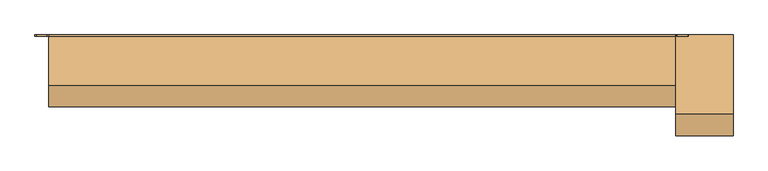
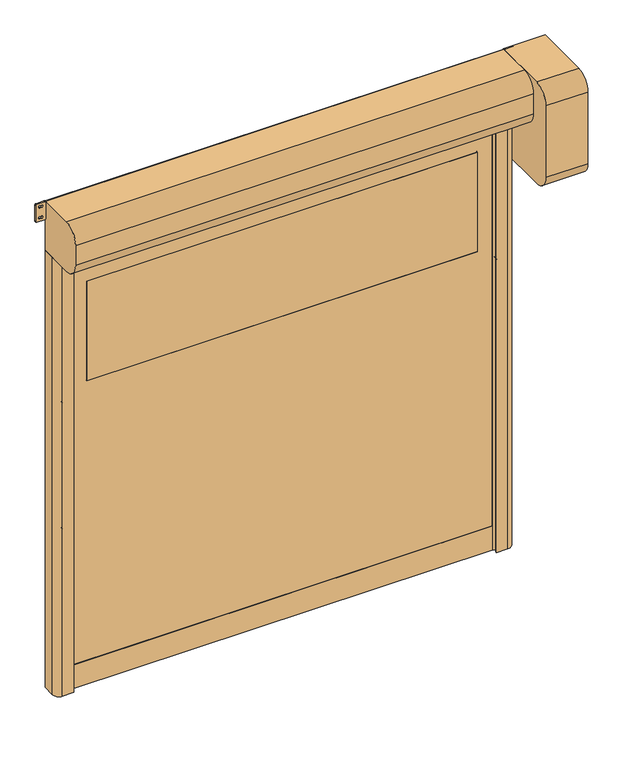
"""IFC4 building model written with IfcOpenShell, lengths in millimetres: door geometry."""

from ifc_helpers import new_model, si_unit, point, frame, frame_2d, origin, origin_with_axes, place, context, project, spatial, polyline, circle_curve, trimmed, segment, composite_curve, outline, extrude, source, transform, mapped, element, save


def door_7dfef6e7(model_context):
    return source(origin(), model_context, "Body", "SweptSolid", [
        extrude(outline(composite_curve([segment(trimmed(circle_curve(frame_2d((1416.6666667, 1024.0)), 6.0), [point((1422.6666667, 1024.0))], [point((1410.6666667, 1024.0))], False, "CARTESIAN"), True, "CONTINUOUS"), segment(polyline([(1410.6666667, 1024.0), (1410.6666667, 1042.0)]), True, "CONTINUOUS"), segment(trimmed(circle_curve(frame_2d((1416.6666667, 1042.0)), 6.0), [point((1410.6666667, 1042.0))], [point((1422.6666667, 1042.0))], False, "CARTESIAN"), True, "CONTINUOUS"), segment(polyline([(1422.6666667, 1042.0), (1422.6666667, 1024.0)]), True, "CONTINUOUS")], self_intersect=False)), frame((0.0, -20.0, 0.0), z_axis=(0.0, 1.0, 0.0), x_axis=(0.0, 0.0, 1.0)), (0.0, 0.0, 1.0), 20.0),
        extrude(outline(composite_curve([segment(trimmed(circle_curve(frame_2d((783.3333333, 1024.0)), 6.0), [point((789.3333333, 1024.0))], [point((777.3333333, 1024.0))], False, "CARTESIAN"), True, "CONTINUOUS"), segment(polyline([(777.3333333, 1024.0), (777.3333333, 1042.0)]), True, "CONTINUOUS"), segment(trimmed(circle_curve(frame_2d((783.3333333, 1042.0)), 6.0), [point((777.3333333, 1042.0))], [point((789.3333333, 1042.0))], False, "CARTESIAN"), True, "CONTINUOUS"), segment(polyline([(789.3333333, 1042.0), (789.3333333, 1024.0)]), True, "CONTINUOUS")], self_intersect=False)), frame((0.0, -20.0, 0.0), z_axis=(0.0, 1.0, 0.0), x_axis=(0.0, 0.0, 1.0)), (0.0, 0.0, 1.0), 20.0),
        extrude(outline(composite_curve([segment(trimmed(circle_curve(frame_2d((2050.0, 1024.0)), 6.0), [point((2056.0, 1024.0))], [point((2044.0, 1024.0))], False, "CARTESIAN"), True, "CONTINUOUS"), segment(polyline([(2044.0, 1024.0), (2044.0, 1042.0)]), True, "CONTINUOUS"), segment(trimmed(circle_curve(frame_2d((2050.0, 1042.0)), 6.0), [point((2044.0, 1042.0))], [point((2056.0, 1042.0))], False, "CARTESIAN"), True, "CONTINUOUS"), segment(polyline([(2056.0, 1042.0), (2056.0, 1024.0)]), True, "CONTINUOUS")], self_intersect=False)), frame((0.0, -20.0, 0.0), z_axis=(0.0, 1.0, 0.0), x_axis=(0.0, 0.0, 1.0)), (0.0, 0.0, 1.0), 20.0),
        extrude(outline(composite_curve([segment(trimmed(circle_curve(frame_2d((150.0, 1024.0)), 6.0), [point((156.0, 1024.0))], [point((144.0, 1024.0))], False, "CARTESIAN"), True, "CONTINUOUS"), segment(polyline([(144.0, 1024.0), (144.0, 1042.0)]), True, "CONTINUOUS"), segment(trimmed(circle_curve(frame_2d((150.0, 1042.0)), 6.0), [point((144.0, 1042.0))], [point((156.0, 1042.0))], False, "CARTESIAN"), True, "CONTINUOUS"), segment(polyline([(156.0, 1042.0), (156.0, 1024.0)]), True, "CONTINUOUS")], self_intersect=False)), frame((0.0, -20.0, 0.0), z_axis=(0.0, 1.0, 0.0), x_axis=(0.0, 0.0, 1.0)), (0.0, 0.0, 1.0), 20.0),
        extrude(outline(composite_curve([segment(polyline([(1422.6666667, -1024.0), (1422.6666667, -1042.0)]), True, "CONTINUOUS"), segment(trimmed(circle_curve(frame_2d((1416.6666667, -1042.0)), 6.0), [point((1422.6666667, -1042.0))], [point((1410.6666667, -1042.0))], False, "CARTESIAN"), True, "CONTINUOUS"), segment(polyline([(1410.6666667, -1042.0), (1410.6666667, -1024.0)]), True, "CONTINUOUS"), segment(trimmed(circle_curve(frame_2d((1416.6666667, -1024.0)), 6.0), [point((1410.6666667, -1024.0))], [point((1422.6666667, -1024.0))], False, "CARTESIAN"), True, "CONTINUOUS")], self_intersect=False)), frame((0.0, -20.0, 0.0), z_axis=(0.0, 1.0, 0.0), x_axis=(0.0, 0.0, 1.0)), (0.0, 0.0, 1.0), 20.0),
        extrude(outline(composite_curve([segment(polyline([(789.3333333, -1024.0), (789.3333333, -1042.0)]), True, "CONTINUOUS"), segment(trimmed(circle_curve(frame_2d((783.3333333, -1042.0)), 6.0), [point((789.3333333, -1042.0))], [point((777.3333333, -1042.0))], False, "CARTESIAN"), True, "CONTINUOUS"), segment(polyline([(777.3333333, -1042.0), (777.3333333, -1024.0)]), True, "CONTINUOUS"), segment(trimmed(circle_curve(frame_2d((783.3333333, -1024.0)), 6.0), [point((777.3333333, -1024.0))], [point((789.3333333, -1024.0))], False, "CARTESIAN"), True, "CONTINUOUS")], self_intersect=False)), frame((0.0, -20.0, 0.0), z_axis=(0.0, 1.0, 0.0), x_axis=(0.0, 0.0, 1.0)), (0.0, 0.0, 1.0), 20.0),
        extrude(outline(composite_curve([segment(polyline([(2056.0, -1024.0), (2056.0, -1042.0)]), True, "CONTINUOUS"), segment(trimmed(circle_curve(frame_2d((2050.0, -1042.0)), 6.0), [point((2056.0, -1042.0))], [point((2044.0, -1042.0))], False, "CARTESIAN"), True, "CONTINUOUS"), segment(polyline([(2044.0, -1042.0), (2044.0, -1024.0)]), True, "CONTINUOUS"), segment(trimmed(circle_curve(frame_2d((2050.0, -1024.0)), 6.0), [point((2044.0, -1024.0))], [point((2056.0, -1024.0))], False, "CARTESIAN"), True, "CONTINUOUS")], self_intersect=False)), frame((0.0, -20.0, 0.0), z_axis=(0.0, 1.0, 0.0), x_axis=(0.0, 0.0, 1.0)), (0.0, 0.0, 1.0), 20.0),
        extrude(outline(composite_curve([segment(polyline([(156.0, -1024.0), (156.0, -1042.0)]), True, "CONTINUOUS"), segment(trimmed(circle_curve(frame_2d((150.0, -1042.0)), 6.0), [point((156.0, -1042.0))], [point((144.0, -1042.0))], False, "CARTESIAN"), True, "CONTINUOUS"), segment(polyline([(144.0, -1042.0), (144.0, -1024.0)]), True, "CONTINUOUS"), segment(trimmed(circle_curve(frame_2d((150.0, -1024.0)), 6.0), [point((144.0, -1024.0))], [point((156.0, -1024.0))], False, "CARTESIAN"), True, "CONTINUOUS")], self_intersect=False)), frame((0.0, -20.0, 0.0), z_axis=(0.0, 1.0, 0.0), x_axis=(0.0, 0.0, 1.0)), (0.0, 0.0, 1.0), 20.0),
        extrude(outline(composite_curve([segment(trimmed(circle_curve(frame_2d((1526.0, 929.0)), 1.0), [point((1525.0, 929.0))], [point((1526.0, 930.0))], False, "CARTESIAN"), True, "CONTINUOUS"), segment(polyline([(1526.0, 930.0), (2024.0, 930.0)]), True, "CONTINUOUS"), segment(trimmed(circle_curve(frame_2d((2024.0, 929.0)), 1.0), [point((2024.0, 930.0))], [point((2025.0, 929.0))], False, "CARTESIAN"), True, "CONTINUOUS"), segment(polyline([(2025.0, 929.0), (2025.0, -929.0)]), True, "CONTINUOUS"), segment(trimmed(circle_curve(frame_2d((2024.0, -929.0)), 1.0), [point((2025.0, -929.0))], [point((2024.0, -930.0))], False, "CARTESIAN"), True, "CONTINUOUS"), segment(polyline([(2024.0, -930.0), (1526.0, -930.0)]), True, "CONTINUOUS"), segment(trimmed(circle_curve(frame_2d((1526.0, -929.0)), 1.0), [point((1526.0, -930.0))], [point((1525.0, -929.0))], False, "CARTESIAN"), True, "CONTINUOUS"), segment(polyline([(1525.0, -929.0), (1525.0, 929.0)]), True, "CONTINUOUS")], self_intersect=False)), frame((0.0, -63.5, 0.0), z_axis=(0.0, 1.0, 0.0), x_axis=(0.0, 0.0, 1.0)), (0.0, 0.0, 1.0), 7.0),
        extrude(outline(polyline([(120.0, -1012.0), (120.0, 1012.0), (2325.0, 1012.0), (2325.0, -1012.0), (120.0, -1012.0)]), holes=[composite_curve([segment(trimmed(circle_curve(frame_2d((1526.0, 929.0)), 1.0), [point((1526.0, 930.0))], [point((1525.0, 929.0))], True, "CARTESIAN"), True, "CONTINUOUS"), segment(polyline([(1525.0, 929.0), (1525.0, -929.0)]), True, "CONTINUOUS"), segment(trimmed(circle_curve(frame_2d((1526.0, -929.0)), 1.0), [point((1525.0, -929.0))], [point((1526.0, -930.0))], True, "CARTESIAN"), True, "CONTINUOUS"), segment(polyline([(1526.0, -930.0), (2024.0, -930.0)]), True, "CONTINUOUS"), segment(trimmed(circle_curve(frame_2d((2024.0, -929.0)), 1.0), [point((2024.0, -930.0))], [point((2025.0, -929.0))], True, "CARTESIAN"), True, "CONTINUOUS"), segment(polyline([(2025.0, -929.0), (2025.0, 929.0)]), True, "CONTINUOUS"), segment(trimmed(circle_curve(frame_2d((2024.0, 929.0)), 1.0), [point((2025.0, 929.0))], [point((2024.0, 930.0))], True, "CARTESIAN"), True, "CONTINUOUS"), segment(polyline([(2024.0, 930.0), (1526.0, 930.0)]), True, "CONTINUOUS")], self_intersect=False)]), frame((0.0, -63.5, 0.0), z_axis=(0.0, 1.0, 0.0), x_axis=(0.0, 0.0, 1.0)), (0.0, 0.0, 1.0), 7.0),
        extrude(outline(polyline([(-1012.0, -54.5), (1012.0, -54.5), (1012.0, -65.5), (-1012.0, -65.5), (-1012.0, -54.5)])), origin_with_axes(), (0.0, 0.0, 1.0), 120.0),
        extrude(outline(composite_curve([segment(trimmed(circle_curve(frame_2d((2363.75, 1095.75)), 5.75), [point((2363.75, 1090.0))], [point((2358.0, 1095.75))], False, "CARTESIAN"), True, "CONTINUOUS"), segment(polyline([(2358.0, 1095.75), (2358.0, 1133.25)]), True, "CONTINUOUS"), segment(trimmed(circle_curve(frame_2d((2363.75, 1133.25)), 5.75), [point((2358.0, 1133.25))], [point((2363.75, 1139.0))], False, "CARTESIAN"), True, "CONTINUOUS"), segment(polyline([(2363.75, 1139.0), (2444.25, 1139.0)]), True, "CONTINUOUS"), segment(trimmed(circle_curve(frame_2d((2444.25, 1133.25)), 5.75), [point((2444.25, 1139.0))], [point((2450.0, 1133.25))], False, "CARTESIAN"), True, "CONTINUOUS"), segment(polyline([(2450.0, 1133.25), (2450.0, 1095.75)]), True, "CONTINUOUS"), segment(trimmed(circle_curve(frame_2d((2444.25, 1095.75)), 5.75), [point((2450.0, 1095.75))], [point((2444.25, 1090.0))], False, "CARTESIAN"), True, "CONTINUOUS"), segment(polyline([(2444.25, 1090.0), (2363.75, 1090.0)]), True, "CONTINUOUS")], self_intersect=False), holes=[composite_curve([segment(trimmed(circle_curve(frame_2d((2431.5, 1118.75)), 5.75), [point((2437.25, 1118.75))], [point((2425.75, 1118.75))], True, "CARTESIAN"), True, "CONTINUOUS"), segment(polyline([(2425.75, 1118.75), (2425.75, 1110.25)]), True, "CONTINUOUS"), segment(trimmed(circle_curve(frame_2d((2431.5, 1110.25)), 5.75), [point((2425.75, 1110.25))], [point((2437.25, 1110.25))], True, "CARTESIAN"), True, "CONTINUOUS"), segment(polyline([(2437.25, 1110.25), (2437.25, 1118.75)]), True, "CONTINUOUS")], self_intersect=False), composite_curve([segment(trimmed(circle_curve(frame_2d((2376.5, 1118.75)), 5.75), [point((2382.25, 1118.75))], [point((2370.75, 1118.75))], True, "CARTESIAN"), True, "CONTINUOUS"), segment(polyline([(2370.75, 1118.75), (2370.75, 1110.25)]), True, "CONTINUOUS"), segment(trimmed(circle_curve(frame_2d((2376.5, 1110.25)), 5.75), [point((2370.75, 1110.25))], [point((2382.25, 1110.25))], True, "CARTESIAN"), True, "CONTINUOUS"), segment(polyline([(2382.25, 1110.25), (2382.25, 1118.75)]), True, "CONTINUOUS")], self_intersect=False)]), frame((0.0, -5.0, 0.0), z_axis=(0.0, 1.0, 0.0), x_axis=(0.0, 0.0, 1.0)), (0.0, 0.0, 1.0), 5.0),
        extrude(outline(composite_curve([segment(trimmed(circle_curve(frame_2d((2363.75, -1133.25)), 5.75), [point((2363.75, -1139.0))], [point((2358.0, -1133.25))], False, "CARTESIAN"), True, "CONTINUOUS"), segment(polyline([(2358.0, -1133.25), (2358.0, -1095.75)]), True, "CONTINUOUS"), segment(trimmed(circle_curve(frame_2d((2363.75, -1095.75)), 5.75), [point((2358.0, -1095.75))], [point((2363.75, -1090.0))], False, "CARTESIAN"), True, "CONTINUOUS"), segment(polyline([(2363.75, -1090.0), (2444.25, -1090.0)]), True, "CONTINUOUS"), segment(trimmed(circle_curve(frame_2d((2444.25, -1095.75)), 5.75), [point((2444.25, -1090.0))], [point((2450.0, -1095.75))], False, "CARTESIAN"), True, "CONTINUOUS"), segment(polyline([(2450.0, -1095.75), (2450.0, -1133.25)]), True, "CONTINUOUS"), segment(trimmed(circle_curve(frame_2d((2444.25, -1133.25)), 5.75), [point((2450.0, -1133.25))], [point((2444.25, -1139.0))], False, "CARTESIAN"), True, "CONTINUOUS"), segment(polyline([(2444.25, -1139.0), (2363.75, -1139.0)]), True, "CONTINUOUS")], self_intersect=False), holes=[composite_curve([segment(trimmed(circle_curve(frame_2d((2431.5, -1110.25)), 5.75), [point((2437.25, -1110.25))], [point((2425.75, -1110.25))], True, "CARTESIAN"), True, "CONTINUOUS"), segment(polyline([(2425.75, -1110.25), (2425.75, -1118.75)]), True, "CONTINUOUS"), segment(trimmed(circle_curve(frame_2d((2431.5, -1118.75)), 5.75), [point((2425.75, -1118.75))], [point((2437.25, -1118.75))], True, "CARTESIAN"), True, "CONTINUOUS"), segment(polyline([(2437.25, -1118.75), (2437.25, -1110.25)]), True, "CONTINUOUS")], self_intersect=False), composite_curve([segment(trimmed(circle_curve(frame_2d((2376.5, -1110.25)), 5.75), [point((2382.25, -1110.25))], [point((2370.75, -1110.25))], True, "CARTESIAN"), True, "CONTINUOUS"), segment(polyline([(2370.75, -1110.25), (2370.75, -1118.75)]), True, "CONTINUOUS"), segment(trimmed(circle_curve(frame_2d((2376.5, -1118.75)), 5.75), [point((2370.75, -1118.75))], [point((2382.25, -1118.75))], True, "CARTESIAN"), True, "CONTINUOUS"), segment(polyline([(2382.25, -1118.75), (2382.25, -1110.25)]), True, "CONTINUOUS")], self_intersect=False)]), frame((0.0, -5.0, 0.0), z_axis=(0.0, 1.0, 0.0), x_axis=(0.0, 0.0, 1.0)), (0.0, 0.0, 1.0), 5.0),
        extrude(outline(composite_curve([segment(polyline([(-1090.0, 0.0), (-1015.0, 0.0), (-1015.0, -44.2857143), (-1035.0, -50.0), (-1000.0, -50.0), (-1000.0, -56.5), (-1020.0, -56.5), (-1020.0, -63.5), (-1000.0, -63.5), (-1000.0, -70.0), (-1035.0, -70.0), (-1035.0, -85.0), (-1005.0, -85.0), (-1005.0, -90.0), (-1060.0, -90.0)]), True, "CONTINUOUS"), segment(trimmed(circle_curve(frame_2d((-1060.0, -60.0)), 30.0), [point((-1060.0, -90.0))], [point((-1090.0, -60.0))], False, "CARTESIAN"), True, "CONTINUOUS"), segment(polyline([(-1090.0, -60.0), (-1090.0, 0.0)]), True, "CONTINUOUS")], self_intersect=False)), origin_with_axes(), (0.0, 0.0, 1.0), 2200.0),
        extrude(outline(composite_curve([segment(polyline([(1090.0, 0.0), (1090.0, -60.0)]), True, "CONTINUOUS"), segment(trimmed(circle_curve(frame_2d((1060.0, -60.0)), 30.0), [point((1090.0, -60.0))], [point((1060.0, -90.0))], False, "CARTESIAN"), True, "CONTINUOUS"), segment(polyline([(1060.0, -90.0), (1005.0, -90.0), (1005.0, -85.0), (1035.0, -85.0), (1035.0, -70.0), (1000.0, -70.0), (1000.0, -63.5), (1020.0, -63.5), (1020.0, -56.5), (1000.0, -56.5), (1000.0, -50.0), (1035.0, -50.0), (1015.0, -44.2857143), (1015.0, 0.0), (1090.0, 0.0)]), True, "CONTINUOUS")], self_intersect=False)), origin_with_axes(), (0.0, 0.0, 1.0), 2200.0),
        extrude(outline(composite_curve([segment(polyline([(0.0, 2450.0), (0.0, 1940.0), (-275.0, 1940.0)]), True, "CONTINUOUS"), segment(trimmed(circle_curve(frame_2d((-275.0, 2015.0)), 75.0), [point((-275.0, 1940.0))], [point((-350.0, 2015.0))], False, "CARTESIAN"), True, "CONTINUOUS"), segment(polyline([(-350.0, 2015.0), (-350.0, 2375.0)]), True, "CONTINUOUS"), segment(trimmed(circle_curve(frame_2d((-275.0, 2375.0)), 75.0), [point((-350.0, 2375.0))], [point((-275.0, 2450.0))], False, "CARTESIAN"), True, "CONTINUOUS"), segment(polyline([(-275.0, 2450.0), (0.0, 2450.0)]), True, "CONTINUOUS")], self_intersect=False)), frame((1090.0, 0.0, 0.0), z_axis=(1.0, 0.0, 0.0), x_axis=(0.0, 1.0, 0.0)), (0.0, 0.0, 1.0), 200.0),
        extrude(outline(composite_curve([segment(trimmed(circle_curve(frame_2d((-5.0, 2205.0)), 5.0), [point((0.0, 2205.0))], [point((-5.0, 2200.0))], False, "CARTESIAN"), True, "CONTINUOUS"), segment(polyline([(-5.0, 2200.0), (-175.0, 2200.0)]), True, "CONTINUOUS"), segment(trimmed(circle_curve(frame_2d((-175.0, 2275.0)), 75.0), [point((-175.0, 2200.0))], [point((-250.0, 2275.0))], False, "CARTESIAN"), True, "CONTINUOUS"), segment(polyline([(-250.0, 2275.0), (-250.0, 2375.0)]), True, "CONTINUOUS"), segment(trimmed(circle_curve(frame_2d((-175.0, 2375.0)), 75.0), [point((-250.0, 2375.0))], [point((-175.0, 2450.0))], False, "CARTESIAN"), True, "CONTINUOUS"), segment(polyline([(-175.0, 2450.0), (-5.0, 2450.0)]), True, "CONTINUOUS"), segment(trimmed(circle_curve(frame_2d((-5.0, 2445.0)), 5.0), [point((-5.0, 2450.0))], [point((0.0, 2445.0))], False, "CARTESIAN"), True, "CONTINUOUS"), segment(polyline([(0.0, 2445.0), (0.0, 2205.0)]), True, "CONTINUOUS")], self_intersect=False)), frame((-1090.0, 0.0, 0.0), z_axis=(1.0, 0.0, 0.0), x_axis=(0.0, 1.0, 0.0)), (0.0, 0.0, 1.0), 2180.0),
    ])


if __name__ == "__main__":
    model = new_model("IFC4")
    model_context = context("Model", 3, world=origin())
    ifc_project = project(units=[si_unit("LENGTHUNIT", "METRE", prefix="MILLI")], contexts=[model_context])
    site = spatial("IfcSite", under=ifc_project)
    building = spatial("IfcBuilding", under=site)
    placement = place(None, origin())
    door_shape = door_7dfef6e7(model_context)
    element("IfcDoor", 1, at=placement, inside=building, context=model_context, shape_type="MappedRepresentation", body=[
        mapped(door_shape, transform((0.0, 0.0, 0.0), x_axis=(1.0, 0.0, 0.0), y_axis=(0.0, 1.0, 0.0), z_axis=(0.0, 0.0, 1.0))),
    ])
    save(model, "model.ifc")
